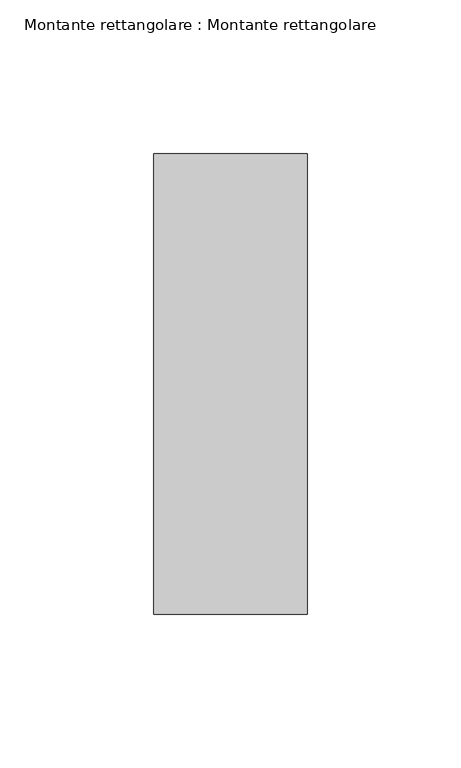
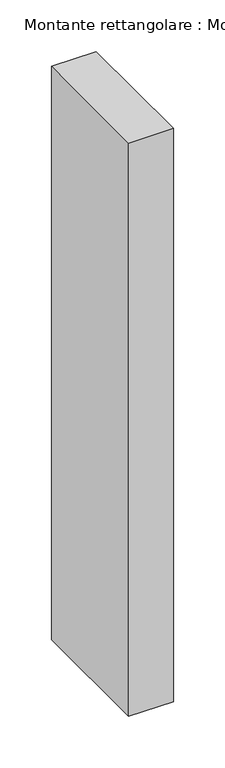
"""IFC4 building model written with IfcOpenShell, lengths in millimetres: member geometry, Montante rettangolare : Montante rettangolare."""

from ifc_helpers import new_model, si_unit, frame, origin, place, context, project, spatial, polyline, outline, extrude, source, transform, mapped, element, save


def montante_rettangolare_montante_rettangolare_9c4cfde1(model_context):
    return source(origin(), model_context, "Body", "SweptSolid", [
        extrude(outline(polyline([(25.0, 75.0), (25.0, -75.0), (-25.0, -75.0), (-25.0, 75.0), (25.0, 75.0)])), frame((0.0, 0.0, -678.0), z_axis=(0.0, 0.0, 1.0), x_axis=(1.0, 0.0, 0.0)), (0.0, 0.0, 1.0), 678.0),
    ])


if __name__ == "__main__":
    model = new_model("IFC4")
    model_context = context("Model", 3, world=origin())
    ifc_project = project(units=[si_unit("LENGTHUNIT", "METRE", prefix="MILLI")], contexts=[model_context])
    site = spatial("IfcSite", under=ifc_project)
    building = spatial("IfcBuilding", under=site)
    placement = place(None, origin())
    montante_rettangolare_montante_rettangolare_shape = montante_rettangolare_montante_rettangolare_9c4cfde1(model_context)
    element("IfcMember", 1, ObjectType="Montante rettangolare : Montante rettangolare", at=placement, inside=building, context=model_context, shape_type="MappedRepresentation", body=[
        mapped(montante_rettangolare_montante_rettangolare_shape, transform((0.0, 0.0, 0.0), x_axis=(1.0, 0.0, 0.0), y_axis=(0.0, 1.0, 0.0), z_axis=(0.0, 0.0, 1.0))),
    ])
    save(model, "model.ifc")
